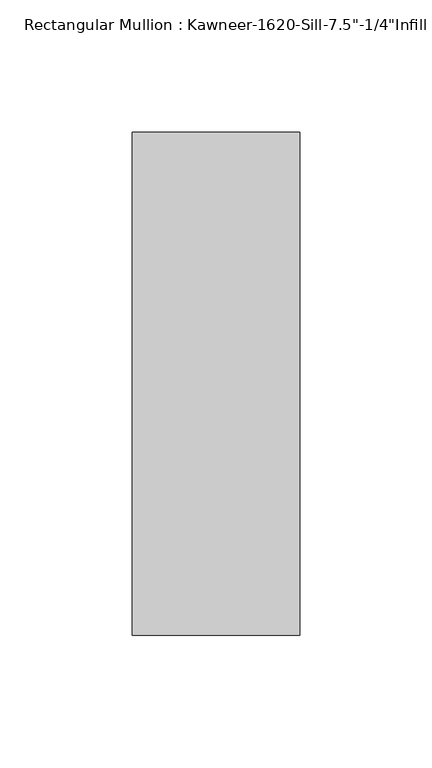
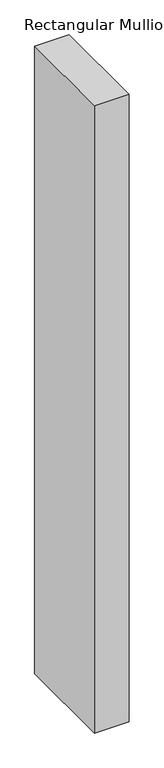
"""IFC4 building model written with IfcOpenShell, lengths in millimetres: member geometry."""

from ifc_helpers import new_model, si_unit, frame, origin, place, context, project, spatial, polyline, outline, extrude, source, transform, mapped, element, save


def member_f59f5bb2(model_context):
    return source(origin(), model_context, "Body", "SweptSolid", [
        extrude(outline(polyline([(-63.5, 28.575), (0.0, 28.575), (0.0, -161.925), (-63.5, -161.925), (-63.5, 28.575)])), frame((0.0, 0.0, -1219.2), z_axis=(0.0, 0.0, 1.0), x_axis=(1.0, 0.0, 0.0)), (0.0, 0.0, 1.0), 1219.2),
    ])


if __name__ == "__main__":
    model = new_model("IFC4")
    model_context = context("Model", 3, world=origin())
    ifc_project = project(units=[si_unit("LENGTHUNIT", "METRE", prefix="MILLI")], contexts=[model_context])
    site = spatial("IfcSite", under=ifc_project)
    building = spatial("IfcBuilding", under=site)
    placement = place(None, origin())
    member_shape = member_f59f5bb2(model_context)
    element("IfcMember", 1, ObjectType="Rectangular Mullion : Kawneer-1620-Sill-7.5\"-1/4\"Infill", at=placement, inside=building, context=model_context, shape_type="MappedRepresentation", body=[
        mapped(member_shape, transform((0.0, 0.0, 0.0), x_axis=(1.0, 0.0, 0.0), y_axis=(0.0, 1.0, 0.0), z_axis=(0.0, 0.0, 1.0))),
    ])
    save(model, "model.ifc")
